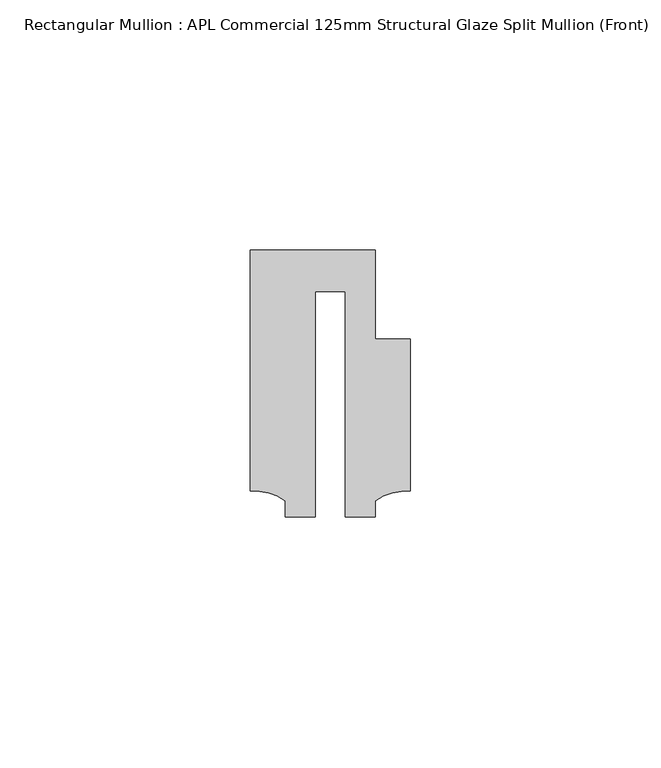
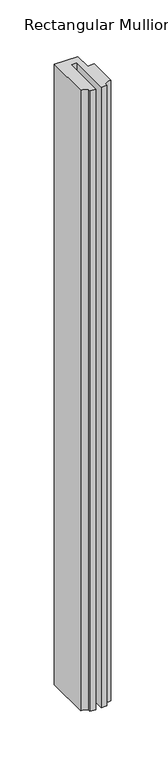
"""IFC4 building model written with IfcOpenShell, lengths in millimetres: member geometry, Rectangular Mullion : APL Commercial 125mm Structural Glaze Split Mullion (Front)."""

from ifc_helpers import new_model, si_unit, point, frame, frame_2d, origin, place, context, project, spatial, polyline, circle_curve, trimmed, segment, composite_curve, outline, extrude, source, transform, mapped, element, save


def rectangular_mullion_apl_commercial_125mm_structural_glaze_e47134af(model_context):
    return source(origin(), model_context, "Body", "SweptSolid", [
        extrude(outline(composite_curve([segment(polyline([(15.9999391, 14.9953356), (15.9999391, -15.3837352)]), True, "CONTINUOUS"), segment(trimmed(circle_curve(frame_2d((15.1098019, -25.802169)), 10.4563907), [point((15.9999391, -15.3837352))], [point((8.9999842, -17.3165203))], True, "CARTESIAN"), True, "CONTINUOUS"), segment(polyline([(8.9999842, -17.3165203), (8.9999842, -20.5039877), (2.9999676, -20.5039877), (2.9999676, 24.5130805), (-2.9999659, 24.5130805), (-2.9999659, -20.5039877), (-8.9999842, -20.5039877), (-8.9999842, -17.3165203)]), True, "CONTINUOUS"), segment(trimmed(circle_curve(frame_2d((-15.1098019, -25.802169)), 10.4563907), [point((-8.9999842, -17.3165203))], [point((-15.9999391, -15.3837352))], True, "CARTESIAN"), True, "CONTINUOUS"), segment(polyline([(-15.9999391, -15.3837352), (-15.9999391, 32.7960123), (9.0, 32.7960123), (9.0, 14.9953356), (15.9999391, 14.9953356)]), True, "CONTINUOUS")], self_intersect=False)), frame((0.0, 0.0, -697.06622), z_axis=(0.0, 0.0, 1.0), x_axis=(1.0, 0.0, 0.0)), (0.0, 0.0, 1.0), 697.06622),
    ])


if __name__ == "__main__":
    model = new_model("IFC4")
    model_context = context("Model", 3, world=origin())
    ifc_project = project(units=[si_unit("LENGTHUNIT", "METRE", prefix="MILLI")], contexts=[model_context])
    site = spatial("IfcSite", under=ifc_project)
    building = spatial("IfcBuilding", under=site)
    placement = place(None, origin())
    rectangular_mullion_apl_commercial_125mm_structural_glaze_shape = rectangular_mullion_apl_commercial_125mm_structural_glaze_e47134af(model_context)
    element("IfcMember", 1, ObjectType="Rectangular Mullion : APL Commercial 125mm Structural Glaze Split Mullion (Front)", at=placement, inside=building, context=model_context, shape_type="MappedRepresentation", body=[
        mapped(rectangular_mullion_apl_commercial_125mm_structural_glaze_shape, transform((0.0, 0.0, 0.0), x_axis=(1.0, 0.0, 0.0), y_axis=(0.0, 1.0, 0.0), z_axis=(0.0, 0.0, 1.0))),
    ])
    save(model, "model.ifc")
